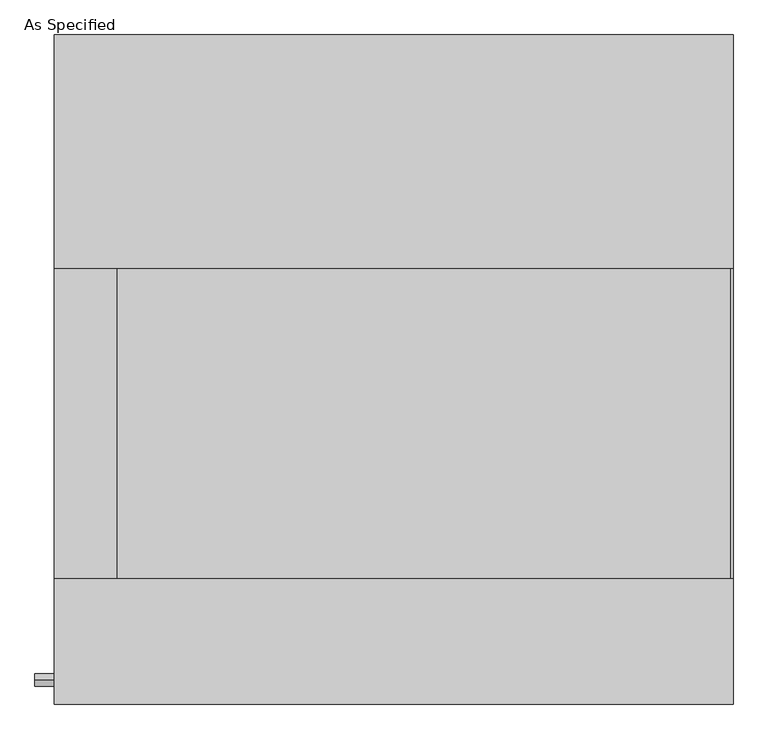
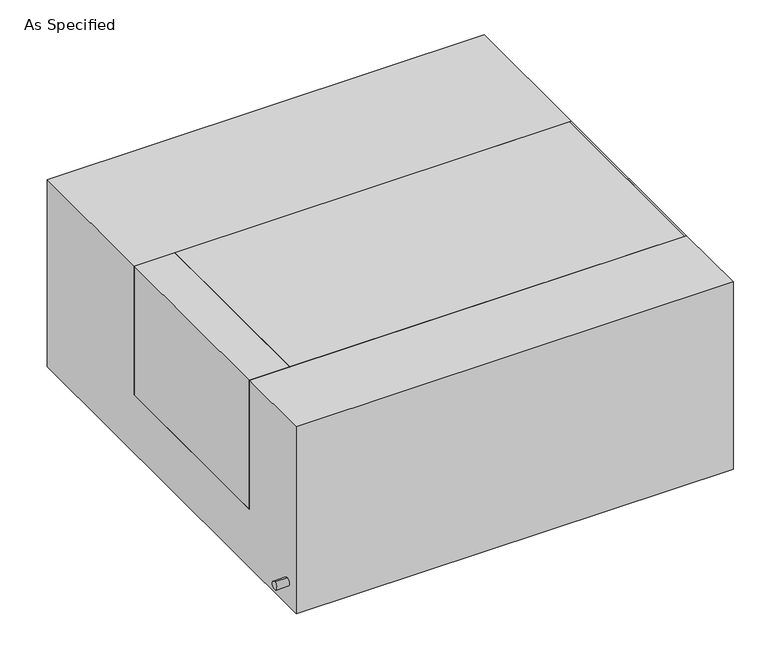
"""IFC4 building model written with IfcOpenShell, lengths in millimetres: proxy geometry, As Specified."""

from ifc_helpers import new_model, si_unit, point, frame, frame_2d, origin, place, context, project, spatial, polyline, circle_curve, trimmed, segment, composite_curve, outline, extrude, source, transform, mapped, element, save


def as_specified_b384bbaa(model_context):
    return source(origin(), model_context, "Body", "SweptSolid", [
        extrude(outline(composite_curve([segment(trimmed(circle_curve(frame_2d((-509.5875, -466.725)), 10.5), [point((-509.5875, -456.225))], [point((-509.5875, -477.225))], False, "CARTESIAN"), True, "CONTINUOUS"), segment(trimmed(circle_curve(frame_2d((-509.5875, -466.725)), 10.5), [point((-509.5875, -477.225))], [point((-509.5875, -456.225))], False, "CARTESIAN"), True, "CONTINUOUS")], self_intersect=False)), frame((-589.0528384, 0.0, 0.0), z_axis=(1.0, 0.0, 0.0), x_axis=(0.0, 1.0, 0.0)), (0.0, 0.0, 1.0), 31.8403384),
        extrude(outline(polyline([(-454.81875, 165.1), (-454.81875, -342.9), (-557.2125, -342.9), (-557.2125, 165.1), (-454.81875, 165.1)])), frame((0.0, 0.0, -373.0625), z_axis=(0.0, 0.0, 1.0), x_axis=(1.0, 0.0, 0.0)), (0.0, 0.0, 1.0), 347.6625),
        extrude(outline(polyline([(553.24375, 165.1), (557.2125, 165.1), (557.2125, -342.9), (553.24375, -342.9), (553.24375, 165.1)])), frame((0.0, 0.0, -39.6875), z_axis=(0.0, 0.0, 1.0), x_axis=(1.0, 0.0, 0.0)), (0.0, 0.0, 1.0), 14.2875),
        extrude(outline(polyline([(557.2125, 165.1), (557.2125, -342.9), (-454.81875, -342.9), (-454.81875, 165.1), (557.2125, 165.1)])), frame((0.0, 0.0, -373.0625), z_axis=(0.0, 0.0, 1.0), x_axis=(1.0, 0.0, 0.0)), (0.0, 0.0, 1.0), 347.6625),
        extrude(outline(polyline([(549.275, -25.4), (549.275, -530.225), (-549.275, -530.225), (-549.275, -25.4), (-342.9, -25.4), (-342.9, -373.0625), (165.1, -373.0625), (165.1, -25.4), (549.275, -25.4)])), frame((-557.2125, 0.0, 0.0), z_axis=(1.0, 0.0, 0.0), x_axis=(0.0, 1.0, 0.0)), (0.0, 0.0, 1.0), 1114.425),
    ])


if __name__ == "__main__":
    model = new_model("IFC4")
    model_context = context("Model", 3, world=origin())
    ifc_project = project(units=[si_unit("LENGTHUNIT", "METRE", prefix="MILLI")], contexts=[model_context])
    site = spatial("IfcSite", under=ifc_project)
    building = spatial("IfcBuilding", under=site)
    placement = place(None, origin())
    as_specified_shape = as_specified_b384bbaa(model_context)
    element("IfcBuildingElementProxy", 1, Name="As Specified", ObjectType="As Specified", at=placement, inside=building, context=model_context, shape_type="MappedRepresentation", body=[
        mapped(as_specified_shape, transform((0.0, 0.0, 0.0), x_axis=(1.0, 0.0, 0.0), y_axis=(0.0, 1.0, 0.0), z_axis=(0.0, 0.0, 1.0))),
    ])
    save(model, "model.ifc")
